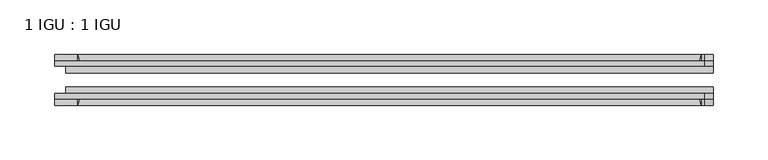
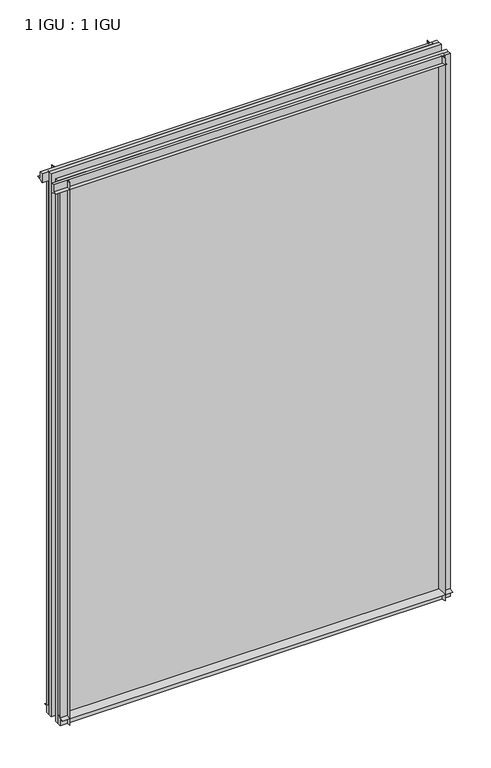
"""IFC4 building model written with IfcOpenShell, lengths in millimetres: plate geometry, 1 IGU : 1 IGU."""

from ifc_helpers import new_model, si_unit, point, frame, frame_2d, origin, place, context, project, spatial, polyline, circle_curve, trimmed, segment, composite_curve, outline, extrude, source, transform, mapped, element, save


def plate_1_igu_1_igu_d485c29e(model_context):
    return source(origin(), model_context, "Body", "SweptSolid", [
        extrude(outline(composite_curve([segment(trimmed(circle_curve(frame_2d((-28.0741797, 32.2797688)), 32.7673262), [point((-44.45, 3.8979053))], [point((-33.7058, 1.48e-05))], True, "CARTESIAN"), True, "CONTINUOUS"), segment(polyline([(-33.7058, 1.48e-05), (-39.6748, 1.48e-05), (-39.6748, -10.31875), (-44.45, -10.31875), (-44.45, 3.8979053)]), True, "CONTINUOUS")], self_intersect=False)), frame((-290.5259938, 0.0, 0.0), z_axis=(1.0, 0.0, 0.0), x_axis=(0.0, 1.0, 0.0)), (0.0, 0.0, 1.0), 593.7519875),
        extrude(outline(composite_curve([segment(trimmed(circle_curve(frame_2d((-86.2258203, 32.2797602)), 32.7673262), [point((-80.5942354, 0.0))], [point((-69.85, 3.8978967))], True, "CARTESIAN"), True, "CONTINUOUS"), segment(polyline([(-69.85, 3.8978967), (-69.85, -10.31875), (-74.6252, -10.31875), (-74.6252, 0.0), (-80.5942354, 0.0)]), True, "CONTINUOUS")], self_intersect=False)), frame((-290.5259938, 0.0, 0.0), z_axis=(1.0, 0.0, 0.0), x_axis=(0.0, 1.0, 0.0)), (0.0, 0.0, 1.0), 593.7519875),
        extrude(outline(composite_curve([segment(polyline([(-80.5942, 850.9), (-74.6252, 850.9), (-74.6252, 862.0125), (-69.85, 862.0125), (-69.85, 847.0021095)]), True, "CONTINUOUS"), segment(trimmed(circle_curve(frame_2d((-86.2258203, 818.620246)), 32.7673262), [point((-69.85, 847.0021095))], [point((-80.5942, 850.9))], True, "CARTESIAN"), True, "CONTINUOUS")], self_intersect=False)), frame((-300.6262324, 0.0, 0.0), z_axis=(1.0, 0.0, 0.0), x_axis=(0.0, 1.0, 0.0)), (0.0, 0.0, 1.0), 595.2856876),
        extrude(outline(composite_curve([segment(polyline([(-39.6748, 862.0125), (-39.6748, 850.9), (-33.7058, 850.9)]), True, "CONTINUOUS"), segment(trimmed(circle_curve(frame_2d((-28.0741797, 818.620246)), 32.7673262), [point((-33.7058, 850.9))], [point((-44.45, 847.0021095))], True, "CARTESIAN"), True, "CONTINUOUS"), segment(polyline([(-44.45, 847.0021095), (-44.45, 862.0125), (-39.6748, 862.0125)]), True, "CONTINUOUS")], self_intersect=False)), frame((-300.6262324, 0.0, 0.0), z_axis=(1.0, 0.0, 0.0), x_axis=(0.0, 1.0, 0.0)), (0.0, 0.0, 1.0), 595.2856876),
        extrude(outline(composite_curve([segment(polyline([(303.2259938, -39.6748), (303.2259938, -44.45), (288.2156032, -44.45)]), True, "CONTINUOUS"), segment(trimmed(circle_curve(frame_2d((259.8337398, -28.0741797)), 32.7673262), [point((288.2156032, -44.45))], [point((292.1134938, -33.7058))], True, "CARTESIAN"), True, "CONTINUOUS"), segment(polyline([(292.1134938, -33.7058), (292.1134938, -39.6748), (303.2259938, -39.6748)]), True, "CONTINUOUS")], self_intersect=False)), frame((0.0, 0.0, -10.31875), z_axis=(0.0, 0.0, 1.0), x_axis=(1.0, 0.0, 0.0)), (0.0, 0.0, 1.0), 872.33125),
        extrude(outline(composite_curve([segment(polyline([(303.2259938, -69.85), (303.2259938, -74.6252), (292.1134938, -74.6252), (292.1134938, -80.5942)]), True, "CONTINUOUS"), segment(trimmed(circle_curve(frame_2d((259.8337398, -86.2258203)), 32.7673262), [point((292.1134938, -80.5942))], [point((288.2156032, -69.85))], True, "CARTESIAN"), True, "CONTINUOUS"), segment(polyline([(288.2156032, -69.85), (303.2259938, -69.85)]), True, "CONTINUOUS")], self_intersect=False)), frame((0.0, 0.0, -10.31875), z_axis=(0.0, 0.0, 1.0), x_axis=(1.0, 0.0, 0.0)), (0.0, 0.0, 1.0), 872.33125),
        extrude(outline(composite_curve([segment(polyline([(-290.5259937, -39.6748), (-279.4134937, -39.6748), (-279.4134937, -33.7058)]), True, "CONTINUOUS"), segment(trimmed(circle_curve(frame_2d((-247.1337398, -28.0741797)), 32.7673262), [point((-279.4134937, -33.7058))], [point((-275.5156032, -44.45))], True, "CARTESIAN"), True, "CONTINUOUS"), segment(polyline([(-275.5156032, -44.45), (-290.5259937, -44.45), (-290.5259937, -39.6748)]), True, "CONTINUOUS")], self_intersect=False)), frame((0.0, 0.0, -10.31875), z_axis=(0.0, 0.0, 1.0), x_axis=(1.0, 0.0, 0.0)), (0.0, 0.0, 1.0), 872.33125),
        extrude(outline(composite_curve([segment(polyline([(-290.5259937, -74.6252), (-290.5259937, -69.85), (-275.5156032, -69.85)]), True, "CONTINUOUS"), segment(trimmed(circle_curve(frame_2d((-247.1337398, -86.2258203)), 32.7673262), [point((-275.5156032, -69.85))], [point((-279.4134937, -80.5942))], True, "CARTESIAN"), True, "CONTINUOUS"), segment(polyline([(-279.4134937, -80.5942), (-279.4134937, -74.6252), (-290.5259937, -74.6252)]), True, "CONTINUOUS")], self_intersect=False)), frame((0.0, 0.0, -10.31875), z_axis=(0.0, 0.0, 1.0), x_axis=(1.0, 0.0, 0.0)), (0.0, 0.0, 1.0), 872.33125),
        extrude(outline(polyline([(-290.5259937, -69.85), (-290.5259937, -63.5508), (303.2259937, -63.5508), (303.2259937, -69.85), (-290.5259937, -69.85)])), frame((0.0, 0.0, -10.31875), z_axis=(0.0, 0.0, 1.0), x_axis=(1.0, 0.0, 0.0)), (0.0, 0.0, 1.0), 872.33125),
        extrude(outline(polyline([(303.2259937, -50.7492), (-290.5259937, -50.7492), (-290.5259937, -44.45), (303.2259937, -44.45), (303.2259937, -50.7492)])), frame((0.0, 0.0, -10.31875), z_axis=(0.0, 0.0, 1.0), x_axis=(1.0, 0.0, 0.0)), (0.0, 0.0, 1.0), 872.33125),
    ])


if __name__ == "__main__":
    model = new_model("IFC4")
    model_context = context("Model", 3, world=origin())
    ifc_project = project(units=[si_unit("LENGTHUNIT", "METRE", prefix="MILLI")], contexts=[model_context])
    site = spatial("IfcSite", under=ifc_project)
    building = spatial("IfcBuilding", under=site)
    placement = place(None, origin())
    plate_1_igu_1_igu_shape = plate_1_igu_1_igu_d485c29e(model_context)
    element("IfcPlate", 1, ObjectType="1 IGU : 1 IGU", at=placement, inside=building, context=model_context, shape_type="MappedRepresentation", body=[
        mapped(plate_1_igu_1_igu_shape, transform((0.0, 0.0, 0.0), x_axis=(1.0, 0.0, 0.0), y_axis=(0.0, 1.0, 0.0), z_axis=(0.0, 0.0, 1.0))),
    ])
    save(model, "model.ifc")
